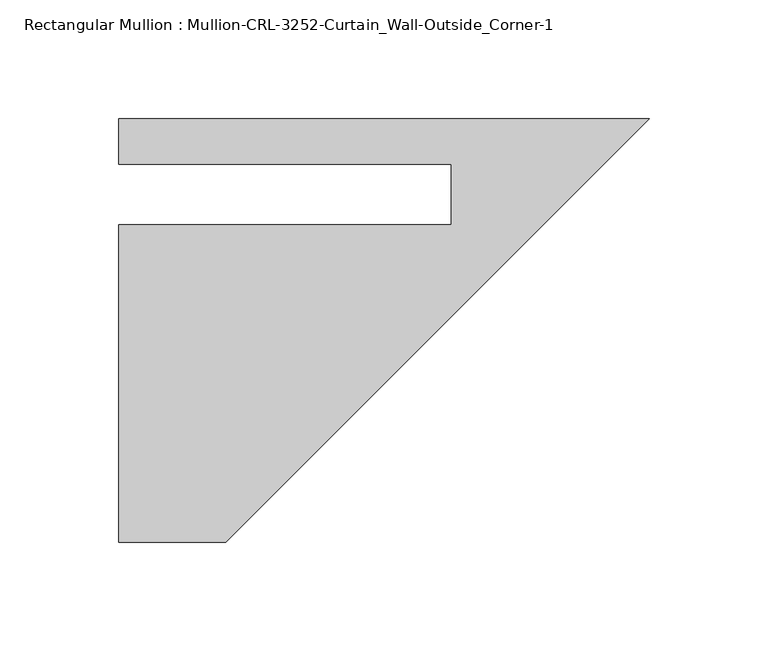
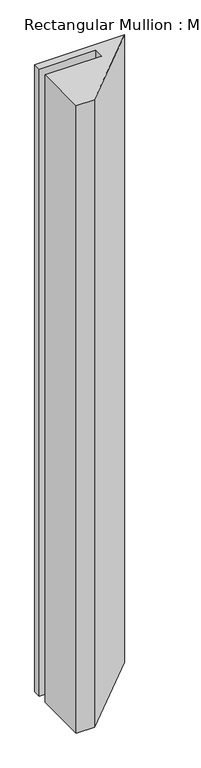
"""IFC4 building model written with IfcOpenShell, lengths in millimetres: member geometry, Rectangular Mullion : Mullion-CRL-3252-Curtain_Wall-Outside_Corner-1."""

from ifc_helpers import new_model, si_unit, frame, origin, place, context, project, spatial, polyline, outline, extrude, source, transform, mapped, element, save


def rectangular_mullion_mullion_crl_3252_curtain_wall_outside_e66fa7e8(model_context):
    return source(origin(), model_context, "Body", "SweptSolid", [
        extrude(outline(polyline([(0.0, 31.794609), (-177.8, -146.005391), (-222.7150879, -146.005391), (-222.7150879, -12.7), (-83.0821975, -12.7), (-83.0821975, 12.7), (-222.7150879, 12.7), (-222.7150879, 31.794609), (0.0, 31.794609)])), frame((0.0, 0.0, -1642.0703125), z_axis=(0.0, 0.0, 1.0), x_axis=(1.0, 0.0, 0.0)), (0.0, 0.0, 1.0), 1642.0703125),
    ])


if __name__ == "__main__":
    model = new_model("IFC4")
    model_context = context("Model", 3, world=origin())
    ifc_project = project(units=[si_unit("LENGTHUNIT", "METRE", prefix="MILLI")], contexts=[model_context])
    site = spatial("IfcSite", under=ifc_project)
    building = spatial("IfcBuilding", under=site)
    placement = place(None, origin())
    rectangular_mullion_mullion_crl_3252_curtain_wall_outside_shape = rectangular_mullion_mullion_crl_3252_curtain_wall_outside_e66fa7e8(model_context)
    element("IfcMember", 1, ObjectType="Rectangular Mullion : Mullion-CRL-3252-Curtain_Wall-Outside_Corner-1", at=placement, inside=building, context=model_context, shape_type="MappedRepresentation", body=[
        mapped(rectangular_mullion_mullion_crl_3252_curtain_wall_outside_shape, transform((0.0, 0.0, 0.0), x_axis=(1.0, 0.0, 0.0), y_axis=(0.0, 1.0, 0.0), z_axis=(0.0, 0.0, 1.0))),
    ])
    save(model, "model.ifc")
